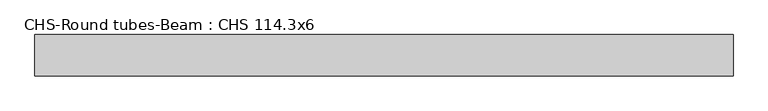
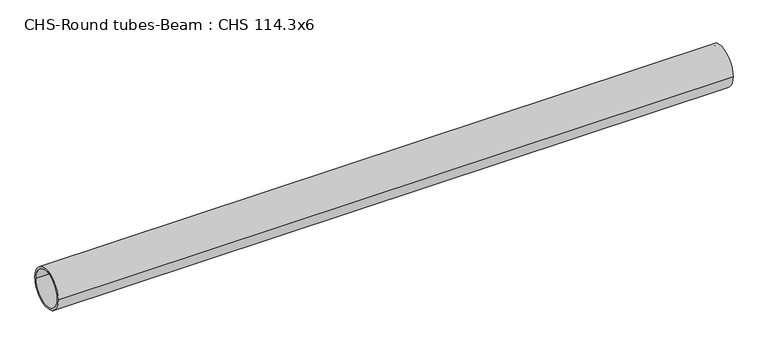
"""IFC4 building model written with IfcOpenShell, lengths in millimetres: beam geometry, CHS-Round tubes-Beam : CHS 114.3x6."""

from ifc_helpers import new_model, si_unit, point, frame, origin, origin_2d, place, context, project, spatial, circle_curve, trimmed, segment, composite_curve, outline, extrude, source, transform, mapped, element, save


def chs_round_tubes_beam_chs_114_3x6_a90a49aa(model_context):
    return source(origin(), model_context, "Body", "SweptSolid", [
        extrude(outline(composite_curve([segment(trimmed(circle_curve(origin_2d(), 57.15), [point((57.15, 0.0))], [point((-57.15, 0.0))], False, "CARTESIAN"), True, "CONTINUOUS"), segment(trimmed(circle_curve(origin_2d(), 57.15), [point((-57.15, 0.0))], [point((57.15, 0.0))], False, "CARTESIAN"), True, "CONTINUOUS")], self_intersect=False), holes=[composite_curve([segment(trimmed(circle_curve(origin_2d(), 51.15), [point((51.15, 0.0))], [point((-51.15, 0.0))], True, "CARTESIAN"), True, "CONTINUOUS"), segment(trimmed(circle_curve(origin_2d(), 51.15), [point((-51.15, 0.0))], [point((51.15, 0.0))], True, "CARTESIAN"), True, "CONTINUOUS")], self_intersect=False)]), frame((-964.139662, 0.0, 0.0), z_axis=(1.0, 0.0, 0.0), x_axis=(0.0, 1.0, 0.0)), (0.0, 0.0, 1.0), 1924.3620464),
    ])


if __name__ == "__main__":
    model = new_model("IFC4")
    model_context = context("Model", 3, world=origin())
    ifc_project = project(units=[si_unit("LENGTHUNIT", "METRE", prefix="MILLI")], contexts=[model_context])
    site = spatial("IfcSite", under=ifc_project)
    building = spatial("IfcBuilding", under=site)
    placement = place(None, origin())
    chs_round_tubes_beam_chs_114_3x6_shape = chs_round_tubes_beam_chs_114_3x6_a90a49aa(model_context)
    element("IfcBeam", 1, ObjectType="CHS-Round tubes-Beam : CHS 114.3x6", at=placement, inside=building, context=model_context, shape_type="MappedRepresentation", body=[
        mapped(chs_round_tubes_beam_chs_114_3x6_shape, transform((0.0, 0.0, 0.0), x_axis=(1.0, 0.0, 0.0), y_axis=(0.0, 1.0, 0.0), z_axis=(0.0, 0.0, 1.0))),
    ])
    save(model, "model.ifc")
